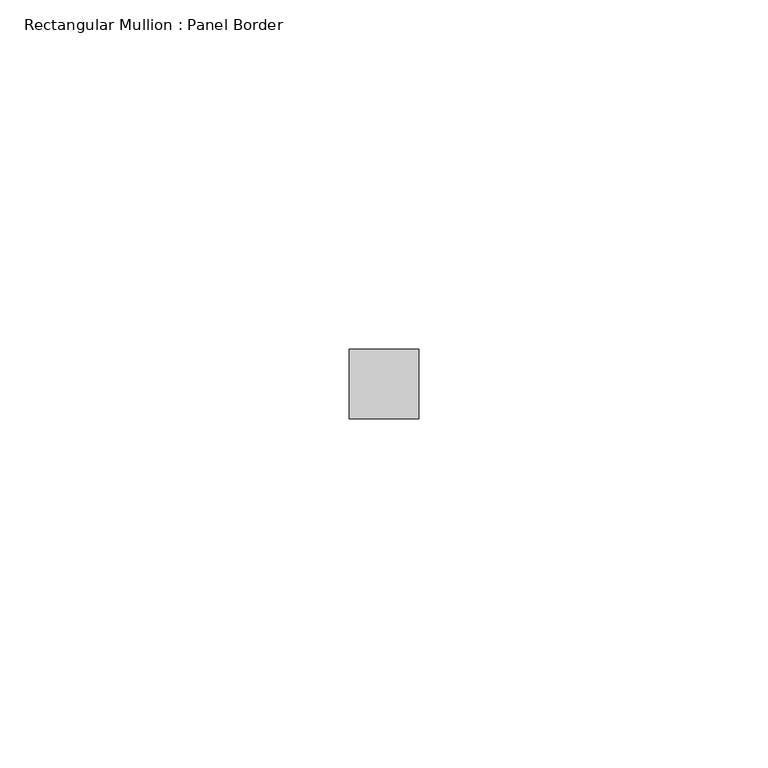
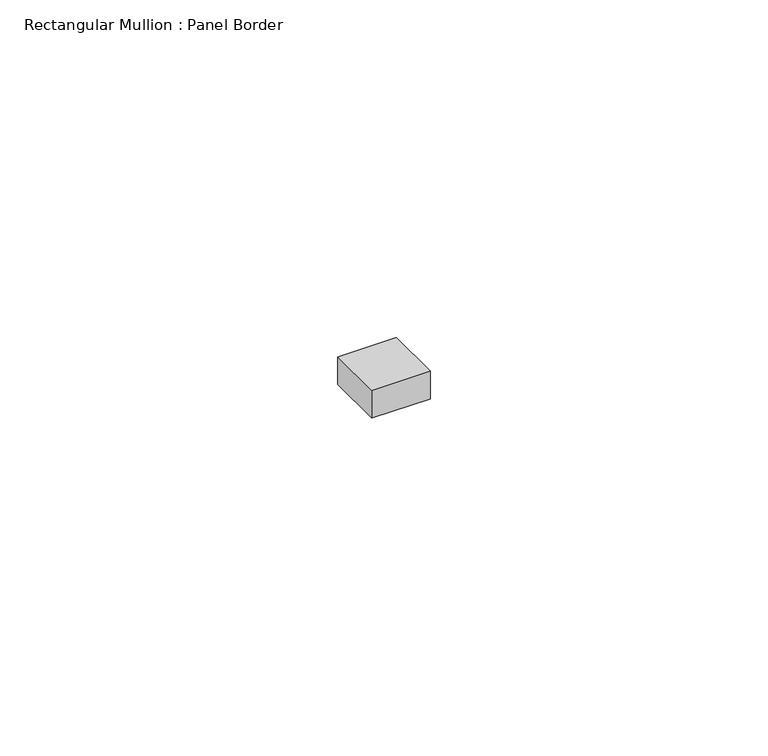
"""IFC4 building model written with IfcOpenShell, lengths in millimetres: member geometry, Rectangular Mullion : Panel Border."""

from ifc_helpers import new_model, si_unit, frame, origin, place, context, project, spatial, polyline, outline, extrude, source, transform, mapped, element, save


def rectangular_mullion_panel_border_f71bd1b0(model_context):
    return source(origin(), model_context, "Body", "SweptSolid", [
        extrude(outline(polyline([(5.0, 5.5), (5.0, -4.5), (-5.0, -4.5), (-5.0, 5.5), (5.0, 5.5)])), frame((0.0, 0.0, -5.0), z_axis=(0.0, 0.0, 1.0), x_axis=(1.0, 0.0, 0.0)), (0.0, 0.0, 1.0), 5.0),
    ])


if __name__ == "__main__":
    model = new_model("IFC4")
    model_context = context("Model", 3, world=origin())
    ifc_project = project(units=[si_unit("LENGTHUNIT", "METRE", prefix="MILLI")], contexts=[model_context])
    site = spatial("IfcSite", under=ifc_project)
    building = spatial("IfcBuilding", under=site)
    placement = place(None, origin())
    rectangular_mullion_panel_border_shape = rectangular_mullion_panel_border_f71bd1b0(model_context)
    element("IfcMember", 1, ObjectType="Rectangular Mullion : Panel Border", at=placement, inside=building, context=model_context, shape_type="MappedRepresentation", body=[
        mapped(rectangular_mullion_panel_border_shape, transform((0.0, 0.0, 0.0), x_axis=(1.0, 0.0, 0.0), y_axis=(0.0, 1.0, 0.0), z_axis=(0.0, 0.0, 1.0))),
    ])
    save(model, "model.ifc")
